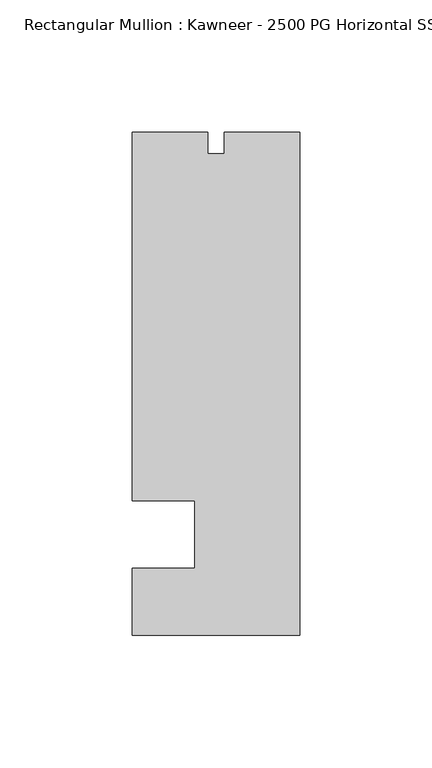
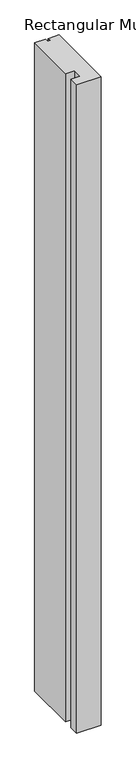
"""IFC4 building model written with IfcOpenShell, lengths in millimetres: member geometry, Rectangular Mullion : Kawneer - 2500 PG Horizontal SSG - Mullion_Jamb L."""

from ifc_helpers import new_model, si_unit, frame, origin, place, context, project, spatial, polyline, outline, extrude, source, transform, mapped, element, save


def rectangular_mullion_kawneer_2500_pg_horizontal_ssg_mullion_c4213d3a(model_context):
    return source(origin(), model_context, "Body", "SweptSolid", [
        extrude(outline(polyline([(-63.5, -95.25), (-63.5, -69.85), (-39.6875, -69.85), (-39.6875, -44.45), (-63.5, -44.45), (-63.5, 95.25), (-34.925, 95.25), (-34.925, 86.9442), (-28.575, 86.9442), (-28.575, 95.25), (0.0, 95.25), (0.0, -95.25), (-63.5, -95.25)])), frame((0.0, 0.0, -1793.4600657), z_axis=(0.0, 0.0, 1.0), x_axis=(1.0, 0.0, 0.0)), (0.0, 0.0, 1.0), 1793.4600657),
    ])


if __name__ == "__main__":
    model = new_model("IFC4")
    model_context = context("Model", 3, world=origin())
    ifc_project = project(units=[si_unit("LENGTHUNIT", "METRE", prefix="MILLI")], contexts=[model_context])
    site = spatial("IfcSite", under=ifc_project)
    building = spatial("IfcBuilding", under=site)
    placement = place(None, origin())
    rectangular_mullion_kawneer_2500_pg_horizontal_ssg_mullion_shape = rectangular_mullion_kawneer_2500_pg_horizontal_ssg_mullion_c4213d3a(model_context)
    element("IfcMember", 1, ObjectType="Rectangular Mullion : Kawneer - 2500 PG Horizontal SSG - Mullion_Jamb L", at=placement, inside=building, context=model_context, shape_type="MappedRepresentation", body=[
        mapped(rectangular_mullion_kawneer_2500_pg_horizontal_ssg_mullion_shape, transform((0.0, 0.0, 0.0), x_axis=(1.0, 0.0, 0.0), y_axis=(0.0, 1.0, 0.0), z_axis=(0.0, 0.0, 1.0))),
    ])
    save(model, "model.ifc")
